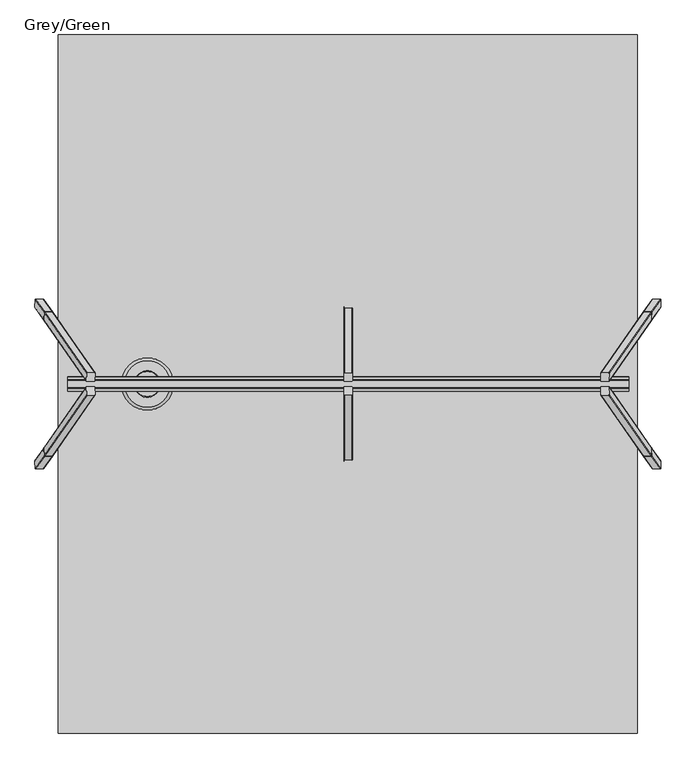
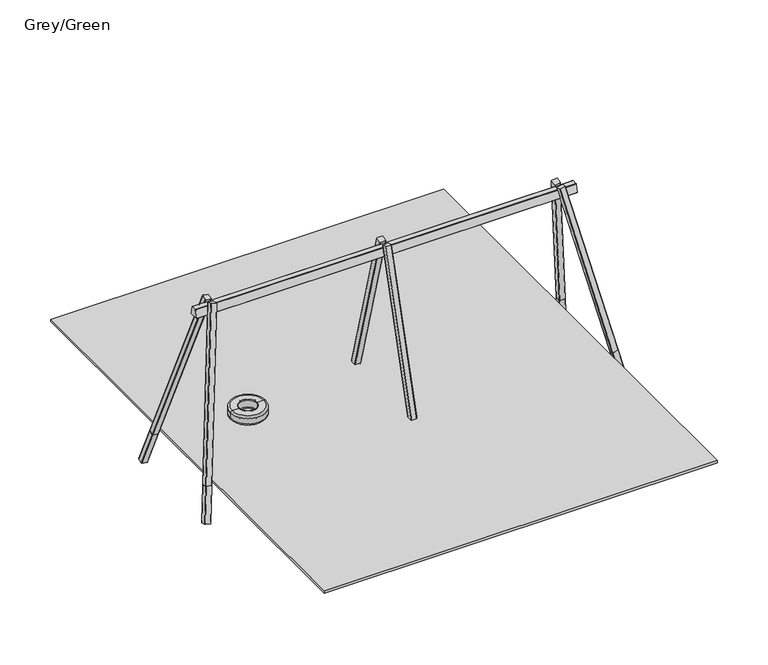
"""IFC4 building model written with IfcOpenShell, lengths in millimetres: furniture geometry, Grey/Green."""

from ifc_helpers import new_model, si_unit, point, frame, frame_2d, origin, place, context, project, spatial, polyline, circle_curve, ellipse_curve, trimmed, segment, composite_curve, outline, extrude, source, transform, mapped, element, save
from ifc_brep_helpers import plane_surface, cylinder_surface, revolved_surface, advanced_brep


def grey_green_a1aa8f9b(model_context):
    return source(origin(), model_context, "Body", "SolidModel", [
        advanced_brep(
        [(-910.1834754, 0.0, 390.0), (-338.8165246, 0.0, 390.0), (-368.8165246, 0.0, 360.0), (-880.1834754, 0.0, 360.0), (-880.1834754, 0.0, 510.0), (-368.8165246, 0.0, 510.0), (-338.8165246, 0.0, 480.0), (-910.1834754, 0.0, 480.0), (-769.5, 0.0, 510.0), (-479.5, 0.0, 510.0), (-769.5, 0.0, 500.0), (-479.5, 0.0, 500.0), (-769.5, 0.0, 360.0), (-479.5, 0.0, 360.0), (-479.5, 0.0, 375.0), (-769.5, 0.0, 375.0)],
        [
            (0, 1, circle_curve(frame((-624.5, 0.0, 390.0), z_axis=(0.0, 0.0, -1.0), x_axis=(1.0, 0.0, 0.0)), 285.6834754)),
            (1, 2, circle_curve(frame((-368.8165246, 0.0, 390.0), z_axis=(0.0, 1.0, 0.0), x_axis=(1.0, 0.0, 0.0)), 30.0)),
            (2, 3, circle_curve(frame((-624.5, 0.0, 360.0), z_axis=(0.0, 0.0, 1.0), x_axis=(1.0, 0.0, 0.0)), 255.6834754)),
            (3, 0, circle_curve(frame((-880.1834754, 0.0, 390.0), z_axis=(0.0, 1.0, 0.0), x_axis=(-1.0, 0.0, 0.0)), 30.0)),
            (1, 0, circle_curve(frame((-624.5, 0.0, 390.0), z_axis=(0.0, 0.0, -1.0), x_axis=(1.0, 0.0, 0.0)), 285.6834754)),
            (3, 2, circle_curve(frame((-624.5, 0.0, 360.0), z_axis=(0.0, 0.0, 1.0), x_axis=(1.0, 0.0, 0.0)), 255.6834754)),
            (4, 5, circle_curve(frame((-624.5, 0.0, 510.0), z_axis=(0.0, 0.0, -1.0), x_axis=(1.0, 0.0, 0.0)), 255.6834754)),
            (5, 6, circle_curve(frame((-368.8165246, 0.0, 480.0), z_axis=(0.0, 1.0, 0.0), x_axis=(1.0, 0.0, 0.0)), 30.0)),
            (6, 7, circle_curve(frame((-624.5, 0.0, 480.0), z_axis=(0.0, 0.0, 1.0), x_axis=(1.0, 0.0, 0.0)), 285.6834754)),
            (7, 4, circle_curve(frame((-880.1834754, 0.0, 480.0), z_axis=(0.0, 1.0, 0.0), x_axis=(-1.0, 0.0, 0.0)), 30.0)),
            (5, 4, circle_curve(frame((-624.5, 0.0, 510.0), z_axis=(0.0, 0.0, -1.0), x_axis=(1.0, 0.0, 0.0)), 255.6834754)),
            (7, 6, circle_curve(frame((-624.5, 0.0, 480.0), z_axis=(0.0, 0.0, 1.0), x_axis=(1.0, 0.0, 0.0)), 285.6834754)),
            (8, 9, circle_curve(frame((-624.5, 0.0, 510.0), z_axis=(0.0, 0.0, -1.0), x_axis=(1.0, 0.0, 0.0)), 145.0)),
            (9, 5),
            (4, 8),
            (9, 8, circle_curve(frame((-624.5, 0.0, 510.0), z_axis=(0.0, 0.0, -1.0), x_axis=(1.0, 0.0, 0.0)), 145.0)),
            (10, 11, circle_curve(frame((-624.5, 0.0, 500.0), z_axis=(0.0, 0.0, -1.0), x_axis=(1.0, 0.0, 0.0)), 145.0)),
            (11, 9, circle_curve(frame((-479.5, 0.0, 505.0), z_axis=(0.0, 1.0, 0.0), x_axis=(1.0, 0.0, 0.0)), 5.0)),
            (8, 10, circle_curve(frame((-769.5, 0.0, 505.0), z_axis=(0.0, 1.0, 0.0), x_axis=(-1.0, 0.0, 0.0)), 5.0)),
            (11, 10, circle_curve(frame((-624.5, 0.0, 500.0), z_axis=(0.0, 0.0, -1.0), x_axis=(1.0, 0.0, 0.0)), 145.0)),
            (12, 13, circle_curve(frame((-624.5, 0.0, 360.0), z_axis=(0.0, 0.0, -1.0), x_axis=(1.0, 0.0, 0.0)), 145.0)),
            (13, 14, circle_curve(frame((-475.6749585, 0.0, 367.5), z_axis=(0.0, 1.0, 0.0), x_axis=(1.0, 0.0, 0.0)), 8.4190821)),
            (14, 15, circle_curve(frame((-624.5, 0.0, 375.0), z_axis=(0.0, 0.0, 1.0), x_axis=(1.0, 0.0, 0.0)), 145.0)),
            (15, 12, circle_curve(frame((-773.3250415, 0.0, 367.5), z_axis=(0.0, 1.0, 0.0), x_axis=(-1.0, 0.0, 0.0)), 8.4190821)),
            (13, 12, circle_curve(frame((-624.5, 0.0, 360.0), z_axis=(0.0, 0.0, -1.0), x_axis=(1.0, 0.0, 0.0)), 145.0)),
            (15, 14, circle_curve(frame((-624.5, 0.0, 375.0), z_axis=(0.0, 0.0, 1.0), x_axis=(1.0, 0.0, 0.0)), 145.0)),
            (2, 13),
            (12, 3),
            (6, 1),
            (0, 7),
            (14, 11, circle_curve(frame((-479.5, 0.0, 437.5), z_axis=(0.0, -1.0, 0.0), x_axis=(-1.0, 0.0, 0.0)), 62.5)),
            (10, 15, circle_curve(frame((-769.5, 0.0, 437.5), z_axis=(0.0, -1.0, 0.0), x_axis=(1.0, 0.0, 0.0)), 62.5)),
        ],
        [
            revolved_surface(trimmed(ellipse_curve(frame((-368.8165246, 0.0, 390.0), z_axis=(0.0, -1.0, 0.0), x_axis=(1.0, 0.0, 0.0)), 30.0, 30.0), [point((-368.8165246, 0.0, 360.0))], [point((-338.8165246, 0.0, 390.0))], True, "CARTESIAN"), (-624.5, 0.0, 2969.0581012), (0.0, 0.0, 1.0)),
            revolved_surface(trimmed(ellipse_curve(frame((-368.8165246, 0.0, 480.0), z_axis=(0.0, -1.0, 0.0), x_axis=(1.0, 0.0, 0.0)), 30.0, 30.0), [point((-338.8165246, 0.0, 480.0))], [point((-368.8165246, 0.0, 510.0))], True, "CARTESIAN"), (-624.5, 0.0, 2969.0581012), (0.0, 0.0, 1.0)),
            plane_surface(frame((-624.5, 0.0, 510.0), z_axis=(0.0, 0.0, 1.0), x_axis=(1.0, 0.0, 0.0))),
            revolved_surface(trimmed(ellipse_curve(frame((-479.5, 0.0, 505.0), z_axis=(0.0, -1.0, 0.0), x_axis=(1.0, 0.0, 0.0)), 5.0, 5.0), [point((-479.5, 0.0, 510.0))], [point((-479.5, 0.0, 500.0))], True, "CARTESIAN"), (-624.5, 0.0, 2969.0581012), (0.0, 0.0, 1.0)),
            revolved_surface(trimmed(ellipse_curve(frame((-475.6749585, 0.0, 367.5), z_axis=(0.0, -1.0, 0.0), x_axis=(1.0, 0.0, 0.0)), 8.4190821, 8.4190821), [point((-479.5, 0.0, 375.0))], [point((-479.5, 0.0, 360.0))], True, "CARTESIAN"), (-624.5, 0.0, 2969.0581012), (0.0, 0.0, 1.0)),
            plane_surface(frame((-624.5, 0.0, 360.0), z_axis=(0.0, 0.0, -1.0), x_axis=(1.0, 0.0, 0.0))),
            cylinder_surface(frame((-624.5, 0.0, 2969.0581012), z_axis=(0.0, 0.0, 1.0), x_axis=(1.0, 0.0, 0.0)), 285.6834754),
            revolved_surface(trimmed(ellipse_curve(frame((-479.5, 0.0, 437.5), z_axis=(0.0, 1.0, 0.0), x_axis=(-1.0, 0.0, 0.0)), 62.5, 62.5), [point((-479.5, 0.0, 500.0))], [point((-479.5, 0.0, 375.0))], True, "CARTESIAN"), (-624.5, 0.0, 2969.0581012), (0.0, 0.0, 1.0)),
        ],
        [
            (0, [[1, 2, 3, 4]]),
            (0, [[5, -4, 6, -2]]),
            (1, [[7, 8, 9, 10]]),
            (1, [[11, -10, 12, -8]]),
            (2, [[13, 14, -7, 15]]),
            (2, [[16, -15, -11, -14]]),
            (3, [[17, 18, -13, 19]]),
            (3, [[20, -19, -16, -18]]),
            (4, [[21, 22, 23, 24]]),
            (4, [[25, -24, 26, -22]]),
            (5, [[-3, 27, -21, 28]]),
            (5, [[-6, -28, -25, -27]]),
            (6, [[-9, 29, -1, 30]]),
            (6, [[-12, -30, -5, -29]]),
            (7, [[-23, 31, -17, 32]]),
            (7, [[-26, -32, -20, -31]]),
        ],
    ),
        extrude(outline(composite_curve([segment(trimmed(circle_curve(frame_2d((42.5, 42.5038196)), 5.0), [point((42.5, 47.5038197))], [point((47.5, 42.5038196))], False, "CARTESIAN"), True, "CONTINUOUS"), segment(polyline([(47.5, 42.5038196), (47.5, -42.4961804)]), True, "CONTINUOUS"), segment(trimmed(circle_curve(frame_2d((42.5, -42.4961804)), 5.0), [point((47.5, -42.4961804))], [point((42.5, -47.4961803))], False, "CARTESIAN"), True, "CONTINUOUS"), segment(polyline([(42.5, -47.4961803), (-42.5, -47.4961803)]), True, "CONTINUOUS"), segment(trimmed(circle_curve(frame_2d((-42.5, -42.4961804)), 5.0), [point((-42.5, -47.4961803))], [point((-47.5, -42.4961804))], False, "CARTESIAN"), True, "CONTINUOUS"), segment(polyline([(-47.5, -42.4961804), (-47.5, 42.5038196)]), True, "CONTINUOUS"), segment(trimmed(circle_curve(frame_2d((-42.5, 42.5038196)), 5.0), [point((-47.5, 42.5038196))], [point((-42.5, 47.5038197))], False, "CARTESIAN"), True, "CONTINUOUS"), segment(polyline([(-42.5, 47.5038197), (42.5, 47.5038197)]), True, "CONTINUOUS")], self_intersect=False)), frame((1578.0, 940.7031317, -552.4783811), z_axis=(0.0, -0.26956980787618856, 0.9629808506307874), x_axis=(1.0, 0.0, 0.0)), (0.0, 0.0, 1.0), 542.6764169),
        extrude(outline(composite_curve([segment(polyline([(42.5, 0.0), (-42.5, 0.0)]), True, "CONTINUOUS"), segment(trimmed(circle_curve(frame_2d((-42.5, 5.0)), 5.0), [point((-42.5, 0.0))], [point((-47.5, 5.0))], False, "CARTESIAN"), True, "CONTINUOUS"), segment(polyline([(-47.5, 5.0), (-47.5, 90.0)]), True, "CONTINUOUS"), segment(trimmed(circle_curve(frame_2d((-42.5, 90.0)), 5.0), [point((-47.5, 90.0))], [point((-42.5, 95.0))], False, "CARTESIAN"), True, "CONTINUOUS"), segment(polyline([(-42.5, 95.0), (42.5, 95.0)]), True, "CONTINUOUS"), segment(trimmed(circle_curve(frame_2d((42.5, 90.0)), 5.0), [point((42.5, 95.0))], [point((47.5, 90.0))], False, "CARTESIAN"), True, "CONTINUOUS"), segment(polyline([(47.5, 90.0), (47.5, 5.0)]), True, "CONTINUOUS"), segment(trimmed(circle_curve(frame_2d((42.5, 5.0)), 5.0), [point((47.5, 5.0))], [point((42.5, 0.0))], False, "CARTESIAN"), True, "CONTINUOUS")], self_intersect=False)), frame((1578.0, 748.6760421, -42.6949198), z_axis=(0.0, -0.2695698078761886, 0.9629808506307873), x_axis=(1.0, 0.0, 0.0)), (0.0, 0.0, 1.0), 2656.8140954),
        extrude(outline(composite_curve([segment(polyline([(42.5, -47.5038197), (-42.5, -47.5038197)]), True, "CONTINUOUS"), segment(trimmed(circle_curve(frame_2d((-42.5, -42.5038196)), 5.0), [point((-42.5, -47.5038197))], [point((-47.5, -42.5038196))], False, "CARTESIAN"), True, "CONTINUOUS"), segment(polyline([(-47.5, -42.5038196), (-47.5, 42.4961804)]), True, "CONTINUOUS"), segment(trimmed(circle_curve(frame_2d((-42.5, 42.4961804)), 5.0), [point((-47.5, 42.4961804))], [point((-42.5, 47.4961803))], False, "CARTESIAN"), True, "CONTINUOUS"), segment(polyline([(-42.5, 47.4961803), (42.5, 47.4961803)]), True, "CONTINUOUS"), segment(trimmed(circle_curve(frame_2d((42.5, 42.4961804)), 5.0), [point((42.5, 47.4961803))], [point((47.5, 42.4961804))], False, "CARTESIAN"), True, "CONTINUOUS"), segment(polyline([(47.5, 42.4961804), (47.5, -42.5038196)]), True, "CONTINUOUS"), segment(trimmed(circle_curve(frame_2d((42.5, -42.5038196)), 5.0), [point((47.5, -42.5038196))], [point((42.5, -47.5038197))], False, "CARTESIAN"), True, "CONTINUOUS")], self_intersect=False)), frame((1578.0, -940.7031317, -552.4783811), z_axis=(0.0, 0.26956980787618856, 0.9629808506307874), x_axis=(1.0, 0.0, 0.0)), (0.0, 0.0, 1.0), 542.6764169),
        extrude(outline(composite_curve([segment(polyline([(-42.5, 0.0), (42.5, 0.0)]), True, "CONTINUOUS"), segment(trimmed(circle_curve(frame_2d((42.5, -5.0)), 5.0), [point((42.5, 0.0))], [point((47.5, -5.0))], False, "CARTESIAN"), True, "CONTINUOUS"), segment(polyline([(47.5, -5.0), (47.5, -90.0)]), True, "CONTINUOUS"), segment(trimmed(circle_curve(frame_2d((42.5, -90.0)), 5.0), [point((47.5, -90.0))], [point((42.5, -95.0))], False, "CARTESIAN"), True, "CONTINUOUS"), segment(polyline([(42.5, -95.0), (-42.5, -95.0)]), True, "CONTINUOUS"), segment(trimmed(circle_curve(frame_2d((-42.5, -90.0)), 5.0), [point((-42.5, -95.0))], [point((-47.5, -90.0))], False, "CARTESIAN"), True, "CONTINUOUS"), segment(polyline([(-47.5, -90.0), (-47.5, -5.0)]), True, "CONTINUOUS"), segment(trimmed(circle_curve(frame_2d((-42.5, -5.0)), 5.0), [point((-47.5, -5.0))], [point((-42.5, 0.0))], False, "CARTESIAN"), True, "CONTINUOUS")], self_intersect=False)), frame((1578.0, -748.6760421, -42.6949198), z_axis=(0.0, 0.2695698078761886, 0.9629808506307874), x_axis=(1.0, 0.0, 0.0)), (0.0, 0.0, 1.0), 2656.8140954),
        extrude(outline(composite_curve([segment(polyline([(-37.576483, -90.0), (-37.576483, -5.0)]), True, "CONTINUOUS"), segment(trimmed(circle_curve(frame_2d((-32.5764831, -5.0000001)), 5.0), [point((-37.576483, -5.0))], [point((-32.5764831, 0.0))], False, "CARTESIAN"), True, "CONTINUOUS"), segment(polyline([(-32.5764831, 0.0), (52.423517, 0.0)]), True, "CONTINUOUS"), segment(trimmed(circle_curve(frame_2d((52.423517, -5.0000001)), 5.0), [point((52.423517, 0.0))], [point((57.4235169, -5.0000001))], False, "CARTESIAN"), True, "CONTINUOUS"), segment(polyline([(57.4235169, -5.0000001), (57.423517, -90.0)]), True, "CONTINUOUS"), segment(trimmed(circle_curve(frame_2d((52.423517, -90.0)), 5.0), [point((57.423517, -90.0))], [point((52.423517, -95.0))], False, "CARTESIAN"), True, "CONTINUOUS"), segment(polyline([(52.423517, -95.0), (-32.5764831, -95.0)]), True, "CONTINUOUS"), segment(trimmed(circle_curve(frame_2d((-32.576483, -90.0)), 5.0), [point((-32.5764831, -95.0))], [point((-37.576483, -90.0))], False, "CARTESIAN"), True, "CONTINUOUS")], self_intersect=False)), frame((4951.0135283, -838.9365244, -569.0672306), z_axis=(-0.17396165925896223, 0.24987304883695344, 0.9525233858403658), x_axis=(0.9837286289495357, 0.0, 0.17966074859319375)), (0.0, 0.0, 1.0), 560.0),
        extrude(outline(composite_curve([segment(polyline([(549.3354975, 15.6129077), (549.3354976, -69.3870923)]), True, "CONTINUOUS"), segment(trimmed(circle_curve(frame_2d((544.3354976, -69.3870923)), 5.0), [point((549.3354976, -69.3870923))], [point((544.3354976, -74.3870923))], False, "CARTESIAN"), True, "CONTINUOUS"), segment(polyline([(544.3354976, -74.3870923), (459.3354976, -74.3870923)]), True, "CONTINUOUS"), segment(trimmed(circle_curve(frame_2d((459.3354976, -69.3870923)), 5.0), [point((459.3354976, -74.3870923))], [point((454.3354976, -69.3870923))], False, "CARTESIAN"), True, "CONTINUOUS"), segment(polyline([(454.3354976, -69.3870923), (454.3354976, 15.6129077)]), True, "CONTINUOUS"), segment(trimmed(circle_curve(frame_2d((459.3354976, 15.6129077)), 5.0), [point((454.3354976, 15.6129077))], [point((459.3354976, 20.6129076))], False, "CARTESIAN"), True, "CONTINUOUS"), segment(polyline([(459.3354976, 20.6129076), (544.3354976, 20.6129077)]), True, "CONTINUOUS"), segment(trimmed(circle_curve(frame_2d((544.3354976, 15.6129077)), 5.0), [point((544.3354976, 20.6129077))], [point((549.3354975, 15.6129077))], False, "CARTESIAN"), True, "CONTINUOUS")], self_intersect=False)), frame((4368.7617384, -718.9666546, -118.9646067), z_axis=(-0.1739616592589606, 0.24987304883695416, 0.9525233858403659), x_axis=(0.9837286289495357, 0.0, 0.1796607485931937)), (0.0, 0.0, 1.0), 2680.0),
        extrude(outline(composite_curve([segment(trimmed(circle_curve(frame_2d((-32.576483, 90.0)), 5.0), [point((-37.576483, 90.0))], [point((-32.5764831, 95.0))], False, "CARTESIAN"), True, "CONTINUOUS"), segment(polyline([(-32.5764831, 95.0), (52.423517, 95.0)]), True, "CONTINUOUS"), segment(trimmed(circle_curve(frame_2d((52.423517, 90.0)), 5.0), [point((52.423517, 95.0))], [point((57.423517, 90.0))], False, "CARTESIAN"), True, "CONTINUOUS"), segment(polyline([(57.423517, 90.0), (57.4235169, 5.0000001)]), True, "CONTINUOUS"), segment(trimmed(circle_curve(frame_2d((52.423517, 5.0000001)), 5.0), [point((57.4235169, 5.0000001))], [point((52.423517, 0.0))], False, "CARTESIAN"), True, "CONTINUOUS"), segment(polyline([(52.423517, 0.0), (-32.5764831, 0.0)]), True, "CONTINUOUS"), segment(trimmed(circle_curve(frame_2d((-32.5764831, 5.0000001)), 5.0), [point((-32.5764831, 0.0))], [point((-37.576483, 5.0))], False, "CARTESIAN"), True, "CONTINUOUS"), segment(polyline([(-37.576483, 5.0), (-37.576483, 90.0)]), True, "CONTINUOUS")], self_intersect=False)), frame((4951.0135283, 838.9365244, -569.0672306), z_axis=(-0.17396165925896223, -0.24987304883695344, 0.9525233858403658), x_axis=(0.9837286289495357, 0.0, 0.17966074859319375)), (0.0, 0.0, 1.0), 560.0),
        extrude(outline(composite_curve([segment(trimmed(circle_curve(frame_2d((544.3354976, -15.6129077)), 5.0), [point((549.3354975, -15.6129077))], [point((544.3354976, -20.6129077))], False, "CARTESIAN"), True, "CONTINUOUS"), segment(polyline([(544.3354976, -20.6129077), (459.3354976, -20.6129076)]), True, "CONTINUOUS"), segment(trimmed(circle_curve(frame_2d((459.3354976, -15.6129077)), 5.0), [point((459.3354976, -20.6129076))], [point((454.3354976, -15.6129077))], False, "CARTESIAN"), True, "CONTINUOUS"), segment(polyline([(454.3354976, -15.6129077), (454.3354976, 69.3870923)]), True, "CONTINUOUS"), segment(trimmed(circle_curve(frame_2d((459.3354976, 69.3870923)), 5.0), [point((454.3354976, 69.3870923))], [point((459.3354976, 74.3870923))], False, "CARTESIAN"), True, "CONTINUOUS"), segment(polyline([(459.3354976, 74.3870923), (544.3354976, 74.3870923)]), True, "CONTINUOUS"), segment(trimmed(circle_curve(frame_2d((544.3354976, 69.3870923)), 5.0), [point((544.3354976, 74.3870923))], [point((549.3354976, 69.3870923))], False, "CARTESIAN"), True, "CONTINUOUS"), segment(polyline([(549.3354976, 69.3870923), (549.3354975, -15.6129077)]), True, "CONTINUOUS")], self_intersect=False)), frame((4368.7617384, 718.9666546, -118.9646067), z_axis=(-0.1739616592589606, -0.24987304883695416, 0.9525233858403659), x_axis=(0.9837286289495357, 0.0, 0.1796607485931937)), (0.0, 0.0, 1.0), 2680.0),
        extrude(outline(composite_curve([segment(polyline([(-37.576483, -90.0), (-37.576483, -5.0)]), True, "CONTINUOUS"), segment(trimmed(circle_curve(frame_2d((-32.5764831, -5.0000001)), 5.0), [point((-37.576483, -5.0))], [point((-32.5764831, 0.0))], False, "CARTESIAN"), True, "CONTINUOUS"), segment(polyline([(-32.5764831, 0.0), (52.423517, 0.0)]), True, "CONTINUOUS"), segment(trimmed(circle_curve(frame_2d((52.423517, -5.0000001)), 5.0), [point((52.423517, 0.0))], [point((57.4235169, -5.0000001))], False, "CARTESIAN"), True, "CONTINUOUS"), segment(polyline([(57.4235169, -5.0000001), (57.423517, -90.0)]), True, "CONTINUOUS"), segment(trimmed(circle_curve(frame_2d((52.423517, -90.0)), 5.0), [point((57.423517, -90.0))], [point((52.423517, -95.0))], False, "CARTESIAN"), True, "CONTINUOUS"), segment(polyline([(52.423517, -95.0), (-32.5764831, -95.0)]), True, "CONTINUOUS"), segment(trimmed(circle_curve(frame_2d((-32.576483, -90.0)), 5.0), [point((-32.5764831, -95.0))], [point((-37.576483, -90.0))], False, "CARTESIAN"), True, "CONTINUOUS")], self_intersect=False)), frame((-1801.0135283, 838.9365244, -569.0672306), z_axis=(0.17396165925896223, -0.24987304883695344, 0.9525233858403658), x_axis=(-0.9837286289495357, 0.0, 0.17966074859319375)), (0.0, 0.0, 1.0), 560.0),
        extrude(outline(composite_curve([segment(polyline([(470.6372073, 15.6129077), (470.6372073, -69.3870923)]), True, "CONTINUOUS"), segment(trimmed(circle_curve(frame_2d((465.6372073, -69.3870923)), 5.0), [point((470.6372073, -69.3870923))], [point((465.6372073, -74.3870923))], False, "CARTESIAN"), True, "CONTINUOUS"), segment(polyline([(465.6372073, -74.3870923), (380.6372073, -74.3870923)]), True, "CONTINUOUS"), segment(trimmed(circle_curve(frame_2d((380.6372073, -69.3870923)), 5.0), [point((380.6372073, -74.3870923))], [point((375.6372073, -69.3870923))], False, "CARTESIAN"), True, "CONTINUOUS"), segment(polyline([(375.6372073, -69.3870923), (375.6372073, 15.6129077)]), True, "CONTINUOUS"), segment(trimmed(circle_curve(frame_2d((380.6372073, 15.6129077)), 5.0), [point((375.6372073, 15.6129077))], [point((380.6372073, 20.6129077))], False, "CARTESIAN"), True, "CONTINUOUS"), segment(polyline([(380.6372073, 20.6129077), (465.6372073, 20.6129077)]), True, "CONTINUOUS"), segment(trimmed(circle_curve(frame_2d((465.6372073, 15.6129077)), 5.0), [point((465.6372073, 20.6129077))], [point((470.6372073, 15.6129077))], False, "CARTESIAN"), True, "CONTINUOUS")], self_intersect=False)), frame((-1296.1794996, 718.9666546, -104.8256129), z_axis=(0.1739616592589606, -0.24987304883695416, 0.9525233858403659), x_axis=(-0.9837286289495357, 0.0, 0.1796607485931937)), (0.0, 0.0, 1.0), 2680.0),
        extrude(outline(composite_curve([segment(trimmed(circle_curve(frame_2d((-32.576483, 90.0)), 5.0), [point((-37.576483, 90.0))], [point((-32.5764831, 95.0))], False, "CARTESIAN"), True, "CONTINUOUS"), segment(polyline([(-32.5764831, 95.0), (52.423517, 95.0)]), True, "CONTINUOUS"), segment(trimmed(circle_curve(frame_2d((52.423517, 90.0)), 5.0), [point((52.423517, 95.0))], [point((57.423517, 90.0))], False, "CARTESIAN"), True, "CONTINUOUS"), segment(polyline([(57.423517, 90.0), (57.4235169, 5.0000001)]), True, "CONTINUOUS"), segment(trimmed(circle_curve(frame_2d((52.423517, 5.0000001)), 5.0), [point((57.4235169, 5.0000001))], [point((52.423517, 0.0))], False, "CARTESIAN"), True, "CONTINUOUS"), segment(polyline([(52.423517, 0.0), (-32.5764831, 0.0)]), True, "CONTINUOUS"), segment(trimmed(circle_curve(frame_2d((-32.5764831, 5.0000001)), 5.0), [point((-32.5764831, 0.0))], [point((-37.576483, 5.0))], False, "CARTESIAN"), True, "CONTINUOUS"), segment(polyline([(-37.576483, 5.0), (-37.576483, 90.0)]), True, "CONTINUOUS")], self_intersect=False)), frame((-1801.0135283, -838.9365244, -569.0672306), z_axis=(0.17396165925896223, 0.24987304883695344, 0.9525233858403658), x_axis=(-0.9837286289495357, 0.0, 0.17966074859319375)), (0.0, 0.0, 1.0), 560.0),
        extrude(outline(composite_curve([segment(polyline([(74.8457619, 2342.2010506), (-74.473853, 2342.2010506)]), True, "CONTINUOUS"), segment(trimmed(circle_curve(frame_2d((-74.473853, 2347.2010506)), 5.0), [point((-74.473853, 2342.2010506))], [point((-79.2887572, 2348.5488997))], False, "CARTESIAN"), True, "CONTINUOUS"), segment(polyline([(-79.2887572, 2348.5488997), (-44.8570379, 2471.5488997)]), True, "CONTINUOUS"), segment(trimmed(circle_curve(frame_2d((-40.0421337, 2470.2010506)), 5.0), [point((-44.8570379, 2471.5488997))], [point((-40.0421337, 2475.2010506))], False, "CARTESIAN"), True, "CONTINUOUS"), segment(polyline([(-40.0421337, 2475.2010506), (39.6761648, 2475.2010506)]), True, "CONTINUOUS"), segment(trimmed(circle_curve(frame_2d((39.6761648, 2470.2010506)), 5.0), [point((39.6761648, 2475.2010506))], [point((44.4835084, 2471.5756225))], False, "CARTESIAN"), True, "CONTINUOUS"), segment(polyline([(44.4835084, 2471.5756225), (79.6531055, 2348.5756225)]), True, "CONTINUOUS"), segment(trimmed(circle_curve(frame_2d((74.8457619, 2347.2010506)), 5.0), [point((79.6531055, 2348.5756225))], [point((74.8457619, 2342.2010506))], False, "CARTESIAN"), True, "CONTINUOUS")], self_intersect=False)), frame((-1497.0, 0.0, 0.0), z_axis=(1.0, 0.0, 0.0), x_axis=(0.0, 1.0, 0.0)), (0.0, 0.0, 1.0), 6150.0),
        extrude(outline(composite_curve([segment(trimmed(circle_curve(frame_2d((465.6372073, -15.6129077)), 5.0), [point((470.6372073, -15.6129077))], [point((465.6372073, -20.6129077))], False, "CARTESIAN"), True, "CONTINUOUS"), segment(polyline([(465.6372073, -20.6129077), (380.6372073, -20.6129077)]), True, "CONTINUOUS"), segment(trimmed(circle_curve(frame_2d((380.6372073, -15.6129077)), 5.0), [point((380.6372073, -20.6129077))], [point((375.6372073, -15.6129077))], False, "CARTESIAN"), True, "CONTINUOUS"), segment(polyline([(375.6372073, -15.6129077), (375.6372073, 69.3870923)]), True, "CONTINUOUS"), segment(trimmed(circle_curve(frame_2d((380.6372073, 69.3870923)), 5.0), [point((375.6372073, 69.3870923))], [point((380.6372073, 74.3870923))], False, "CARTESIAN"), True, "CONTINUOUS"), segment(polyline([(380.6372073, 74.3870923), (465.6372073, 74.3870923)]), True, "CONTINUOUS"), segment(trimmed(circle_curve(frame_2d((465.6372073, 69.3870923)), 5.0), [point((465.6372073, 74.3870923))], [point((470.6372073, 69.3870923))], False, "CARTESIAN"), True, "CONTINUOUS"), segment(polyline([(470.6372073, 69.3870923), (470.6372073, -15.6129077)]), True, "CONTINUOUS")], self_intersect=False)), frame((-1296.1794996, -718.9666546, -104.8256129), z_axis=(0.1739616592589606, 0.24987304883695416, 0.9525233858403659), x_axis=(-0.9837286289495357, 0.0, 0.1796607485931937)), (0.0, 0.0, 1.0), 2680.0),
        extrude(outline(polyline([(4750.0, 3825.0), (4750.0, -3825.0), (-1600.0, -3825.0), (-1600.0, 3825.0), (4750.0, 3825.0)])), frame((0.0, 0.0, -40.0), z_axis=(0.0, 0.0, 1.0), x_axis=(1.0, 0.0, 0.0)), (0.0, 0.0, 1.0), 41.0),
    ])


if __name__ == "__main__":
    model = new_model("IFC4")
    model_context = context("Model", 3, world=origin())
    ifc_project = project(units=[si_unit("LENGTHUNIT", "METRE", prefix="MILLI")], contexts=[model_context])
    site = spatial("IfcSite", under=ifc_project)
    building = spatial("IfcBuilding", under=site)
    placement = place(None, origin())
    grey_green_shape = grey_green_a1aa8f9b(model_context)
    element("IfcFurniture", 1, ObjectType="Grey/Green", at=placement, inside=building, context=model_context, shape_type="MappedRepresentation", body=[
        mapped(grey_green_shape, transform((0.0, 0.0, 0.0), x_axis=(1.0, 0.0, 0.0), y_axis=(0.0, 1.0, 0.0), z_axis=(0.0, 0.0, 1.0))),
    ])
    save(model, "model.ifc")
